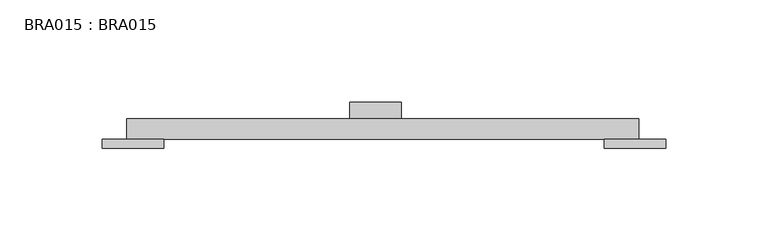
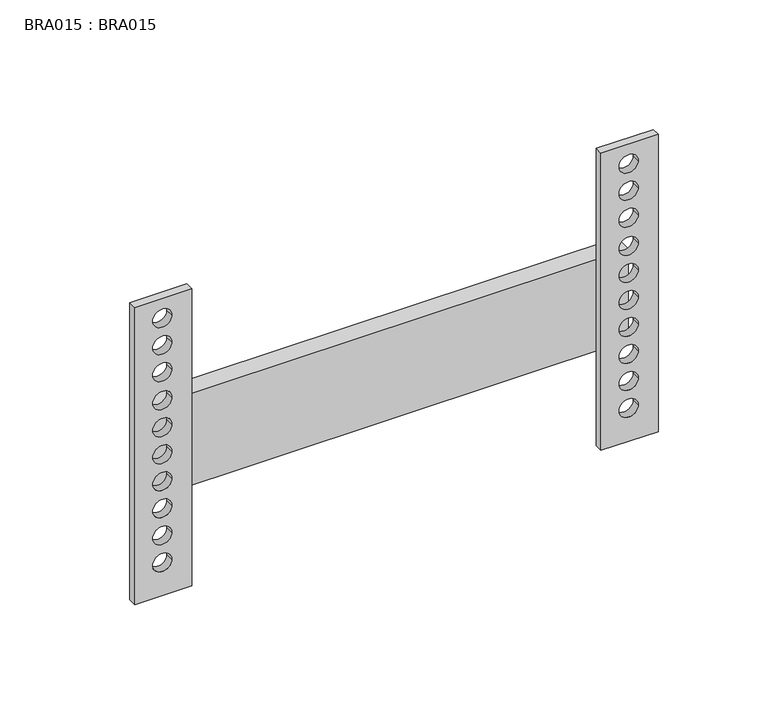
"""IFC4 building model written with IfcOpenShell, lengths in millimetres: proxy geometry, BRA015 : BRA015."""

from ifc_helpers import new_model, si_unit, point, frame, frame_2d, origin, place, context, project, spatial, polyline, circle_curve, trimmed, segment, composite_curve, outline, extrude, source, transform, mapped, element, save


def bra015_bra015_1993b2e6(model_context):
    return source(origin(), model_context, "Body", "SweptSolid", [
        extrude(outline(polyline([(0.0, -133.3614823), (0.0, -103.3614823), (165.0, -103.3614823), (165.0, -133.3614823), (0.0, -133.3614823)]), holes=[composite_curve([segment(trimmed(circle_curve(frame_2d((154.1573714, -118.807574)), 5.0), [point((154.1573714, -123.807574))], [point((154.1573714, -113.807574))], True, "CARTESIAN"), True, "CONTINUOUS"), segment(trimmed(circle_curve(frame_2d((154.1573714, -118.807574)), 5.0), [point((154.1573714, -113.807574))], [point((154.1573714, -123.807574))], True, "CARTESIAN"), True, "CONTINUOUS")], self_intersect=False), composite_curve([segment(trimmed(circle_curve(frame_2d((139.1573714, -118.807574)), 5.0), [point((139.1573714, -123.807574))], [point((139.1573714, -113.807574))], True, "CARTESIAN"), True, "CONTINUOUS"), segment(trimmed(circle_curve(frame_2d((139.1573714, -118.807574)), 5.0), [point((139.1573714, -113.807574))], [point((139.1573714, -123.807574))], True, "CARTESIAN"), True, "CONTINUOUS")], self_intersect=False), composite_curve([segment(trimmed(circle_curve(frame_2d((124.1573714, -118.807574)), 5.0), [point((124.1573714, -123.807574))], [point((124.1573714, -113.807574))], True, "CARTESIAN"), True, "CONTINUOUS"), segment(trimmed(circle_curve(frame_2d((124.1573714, -118.807574)), 5.0), [point((124.1573714, -113.807574))], [point((124.1573714, -123.807574))], True, "CARTESIAN"), True, "CONTINUOUS")], self_intersect=False), composite_curve([segment(trimmed(circle_curve(frame_2d((108.5136789, -118.807574)), 5.0), [point((108.5136789, -123.807574))], [point((108.5136789, -113.807574))], True, "CARTESIAN"), True, "CONTINUOUS"), segment(trimmed(circle_curve(frame_2d((108.5136789, -118.807574)), 5.0), [point((108.5136789, -113.807574))], [point((108.5136789, -123.807574))], True, "CARTESIAN"), True, "CONTINUOUS")], self_intersect=False), composite_curve([segment(trimmed(circle_curve(frame_2d((93.5136789, -118.807574)), 5.0), [point((93.5136789, -123.807574))], [point((93.5136789, -113.807574))], True, "CARTESIAN"), True, "CONTINUOUS"), segment(trimmed(circle_curve(frame_2d((93.5136789, -118.807574)), 5.0), [point((93.5136789, -113.807574))], [point((93.5136789, -123.807574))], True, "CARTESIAN"), True, "CONTINUOUS")], self_intersect=False), composite_curve([segment(trimmed(circle_curve(frame_2d((78.5136789, -118.807574)), 5.0), [point((78.5136789, -123.807574))], [point((78.5136789, -113.807574))], True, "CARTESIAN"), True, "CONTINUOUS"), segment(trimmed(circle_curve(frame_2d((78.5136789, -118.807574)), 5.0), [point((78.5136789, -113.807574))], [point((78.5136789, -123.807574))], True, "CARTESIAN"), True, "CONTINUOUS")], self_intersect=False), composite_curve([segment(trimmed(circle_curve(frame_2d((63.5136789, -118.807574)), 5.0), [point((63.5136789, -123.807574))], [point((63.5136789, -113.807574))], True, "CARTESIAN"), True, "CONTINUOUS"), segment(trimmed(circle_curve(frame_2d((63.5136789, -118.807574)), 5.0), [point((63.5136789, -113.807574))], [point((63.5136789, -123.807574))], True, "CARTESIAN"), True, "CONTINUOUS")], self_intersect=False), composite_curve([segment(trimmed(circle_curve(frame_2d((48.5136789, -118.807574)), 5.0), [point((48.5136789, -123.807574))], [point((48.5136789, -113.807574))], True, "CARTESIAN"), True, "CONTINUOUS"), segment(trimmed(circle_curve(frame_2d((48.5136789, -118.807574)), 5.0), [point((48.5136789, -113.807574))], [point((48.5136789, -123.807574))], True, "CARTESIAN"), True, "CONTINUOUS")], self_intersect=False), composite_curve([segment(trimmed(circle_curve(frame_2d((33.5136789, -118.807574)), 5.0), [point((33.5136789, -123.807574))], [point((33.5136789, -113.807574))], True, "CARTESIAN"), True, "CONTINUOUS"), segment(trimmed(circle_curve(frame_2d((33.5136789, -118.807574)), 5.0), [point((33.5136789, -113.807574))], [point((33.5136789, -123.807574))], True, "CARTESIAN"), True, "CONTINUOUS")], self_intersect=False), composite_curve([segment(trimmed(circle_curve(frame_2d((18.5136789, -118.807574)), 5.0), [point((18.5136789, -123.807574))], [point((18.5136789, -113.807574))], True, "CARTESIAN"), True, "CONTINUOUS"), segment(trimmed(circle_curve(frame_2d((18.5136789, -118.807574)), 5.0), [point((18.5136789, -113.807574))], [point((18.5136789, -123.807574))], True, "CARTESIAN"), True, "CONTINUOUS")], self_intersect=False)]), frame((0.0, -22.4664341, 0.0), z_axis=(0.0, 1.0, 0.0), x_axis=(0.0, 0.0, 1.0)), (0.0, 0.0, 1.0), 4.4974357),
        extrude(outline(polyline([(0.0, 111.6385177), (0.0, 141.6385177), (165.0, 141.6385177), (165.0, 111.6385177), (0.0, 111.6385177)]), holes=[composite_curve([segment(trimmed(circle_curve(frame_2d((154.1573714, 126.192426)), 5.0), [point((154.1573714, 121.192426))], [point((154.1573714, 131.192426))], True, "CARTESIAN"), True, "CONTINUOUS"), segment(trimmed(circle_curve(frame_2d((154.1573714, 126.192426)), 5.0), [point((154.1573714, 131.192426))], [point((154.1573714, 121.192426))], True, "CARTESIAN"), True, "CONTINUOUS")], self_intersect=False), composite_curve([segment(trimmed(circle_curve(frame_2d((139.1573714, 126.192426)), 5.0), [point((139.1573714, 121.192426))], [point((139.1573714, 131.192426))], True, "CARTESIAN"), True, "CONTINUOUS"), segment(trimmed(circle_curve(frame_2d((139.1573714, 126.192426)), 5.0), [point((139.1573714, 131.192426))], [point((139.1573714, 121.192426))], True, "CARTESIAN"), True, "CONTINUOUS")], self_intersect=False), composite_curve([segment(trimmed(circle_curve(frame_2d((124.1573714, 126.192426)), 5.0), [point((124.1573714, 121.192426))], [point((124.1573714, 131.192426))], True, "CARTESIAN"), True, "CONTINUOUS"), segment(trimmed(circle_curve(frame_2d((124.1573714, 126.192426)), 5.0), [point((124.1573714, 131.192426))], [point((124.1573714, 121.192426))], True, "CARTESIAN"), True, "CONTINUOUS")], self_intersect=False), composite_curve([segment(trimmed(circle_curve(frame_2d((108.5136789, 126.192426)), 5.0), [point((108.5136789, 121.192426))], [point((108.5136789, 131.192426))], True, "CARTESIAN"), True, "CONTINUOUS"), segment(trimmed(circle_curve(frame_2d((108.5136789, 126.192426)), 5.0), [point((108.5136789, 131.192426))], [point((108.5136789, 121.192426))], True, "CARTESIAN"), True, "CONTINUOUS")], self_intersect=False), composite_curve([segment(trimmed(circle_curve(frame_2d((93.5136789, 126.192426)), 5.0), [point((93.5136789, 121.192426))], [point((93.5136789, 131.192426))], True, "CARTESIAN"), True, "CONTINUOUS"), segment(trimmed(circle_curve(frame_2d((93.5136789, 126.192426)), 5.0), [point((93.5136789, 131.192426))], [point((93.5136789, 121.192426))], True, "CARTESIAN"), True, "CONTINUOUS")], self_intersect=False), composite_curve([segment(trimmed(circle_curve(frame_2d((78.5136789, 126.192426)), 5.0), [point((78.5136789, 121.192426))], [point((78.5136789, 131.192426))], True, "CARTESIAN"), True, "CONTINUOUS"), segment(trimmed(circle_curve(frame_2d((78.5136789, 126.192426)), 5.0), [point((78.5136789, 131.192426))], [point((78.5136789, 121.192426))], True, "CARTESIAN"), True, "CONTINUOUS")], self_intersect=False), composite_curve([segment(trimmed(circle_curve(frame_2d((63.5136789, 126.192426)), 5.0), [point((63.5136789, 121.192426))], [point((63.5136789, 131.192426))], True, "CARTESIAN"), True, "CONTINUOUS"), segment(trimmed(circle_curve(frame_2d((63.5136789, 126.192426)), 5.0), [point((63.5136789, 131.192426))], [point((63.5136789, 121.192426))], True, "CARTESIAN"), True, "CONTINUOUS")], self_intersect=False), composite_curve([segment(trimmed(circle_curve(frame_2d((48.5136789, 126.192426)), 5.0), [point((48.5136789, 121.192426))], [point((48.5136789, 131.192426))], True, "CARTESIAN"), True, "CONTINUOUS"), segment(trimmed(circle_curve(frame_2d((48.5136789, 126.192426)), 5.0), [point((48.5136789, 131.192426))], [point((48.5136789, 121.192426))], True, "CARTESIAN"), True, "CONTINUOUS")], self_intersect=False), composite_curve([segment(trimmed(circle_curve(frame_2d((33.5136789, 126.192426)), 5.0), [point((33.5136789, 121.192426))], [point((33.5136789, 131.192426))], True, "CARTESIAN"), True, "CONTINUOUS"), segment(trimmed(circle_curve(frame_2d((33.5136789, 126.192426)), 5.0), [point((33.5136789, 131.192426))], [point((33.5136789, 121.192426))], True, "CARTESIAN"), True, "CONTINUOUS")], self_intersect=False), composite_curve([segment(trimmed(circle_curve(frame_2d((18.5136789, 126.192426)), 5.0), [point((18.5136789, 121.192426))], [point((18.5136789, 131.192426))], True, "CARTESIAN"), True, "CONTINUOUS"), segment(trimmed(circle_curve(frame_2d((18.5136789, 126.192426)), 5.0), [point((18.5136789, 131.192426))], [point((18.5136789, 121.192426))], True, "CARTESIAN"), True, "CONTINUOUS")], self_intersect=False)]), frame((0.0, -22.4664341, 0.0), z_axis=(0.0, 1.0, 0.0), x_axis=(0.0, 0.0, 1.0)), (0.0, 0.0, 1.0), 4.4974357),
        extrude(outline(polyline([(12.5, 0.0), (12.5, -7.9689984), (-12.5, -7.9689984), (-12.5, 0.0), (12.5, 0.0)])), frame((0.0, 0.0, 62.6658248), z_axis=(0.0, 0.0, 1.0), x_axis=(1.0, 0.0, 0.0)), (0.0, 0.0, 1.0), 22.9769179),
        extrude(outline(polyline([(128.5020698, -7.9689984), (128.5020698, -17.9689984), (-121.4979302, -17.9689984), (-121.4979302, -7.9689984), (128.5020698, -7.9689984)])), frame((0.0, 0.0, 52.4538613), z_axis=(0.0, 0.0, 1.0), x_axis=(1.0, 0.0, 0.0)), (0.0, 0.0, 1.0), 51.0598176),
    ])


if __name__ == "__main__":
    model = new_model("IFC4")
    model_context = context("Model", 3, world=origin())
    ifc_project = project(units=[si_unit("LENGTHUNIT", "METRE", prefix="MILLI")], contexts=[model_context])
    site = spatial("IfcSite", under=ifc_project)
    building = spatial("IfcBuilding", under=site)
    placement = place(None, origin())
    bra015_bra015_shape = bra015_bra015_1993b2e6(model_context)
    element("IfcBuildingElementProxy", 1, Name="BRA015 : BRA015", ObjectType="BRA015 : BRA015", at=placement, inside=building, context=model_context, shape_type="MappedRepresentation", body=[
        mapped(bra015_bra015_shape, transform((0.0, 0.0, 0.0), x_axis=(1.0, 0.0, 0.0), y_axis=(0.0, 1.0, 0.0), z_axis=(0.0, 0.0, 1.0))),
    ])
    save(model, "model.ifc")
